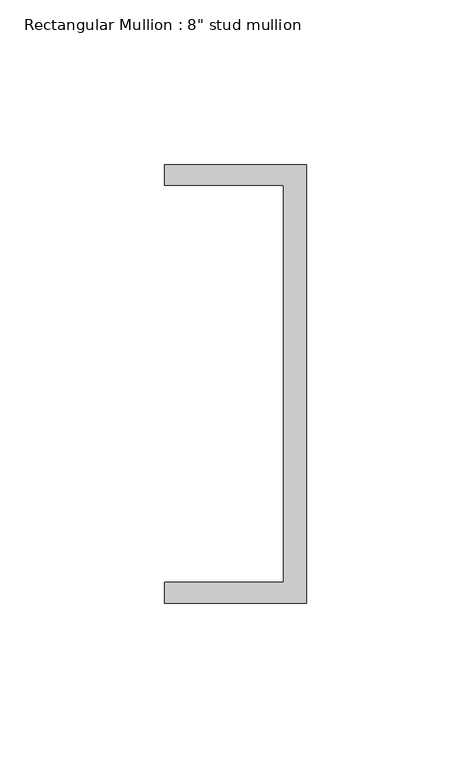
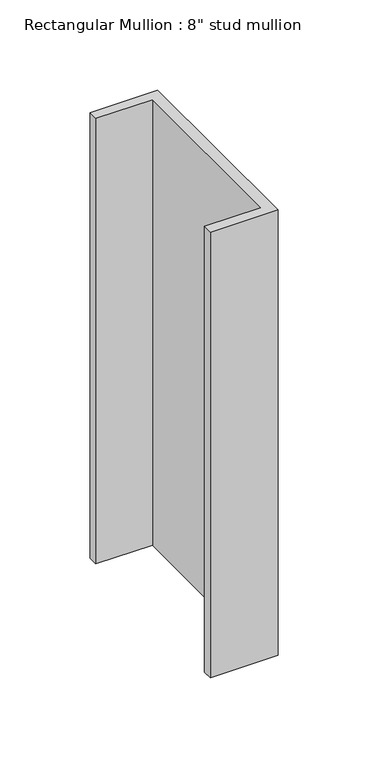
"""IFC4 building model written with IfcOpenShell, lengths in millimetres: member geometry."""

from ifc_helpers import new_model, si_unit, frame, origin, place, context, project, spatial, polyline, outline, extrude, source, transform, mapped, element, save


def member_0960573b(model_context):
    return source(origin(), model_context, "Body", "SweptSolid", [
        extrude(outline(polyline([(0.0, 135.2608739), (0.0, 1.9108739), (-43.2224547, 1.9108739), (-43.2224547, 8.2608739), (-7.0438577, 8.2608739), (-7.0438577, 128.9108739), (-43.2224547, 128.9108739), (-43.2224547, 135.2608739), (0.0, 135.2608739)])), frame((0.0, 0.0, -301.454113), z_axis=(0.0, 0.0, 1.0), x_axis=(1.0, 0.0, 0.0)), (0.0, 0.0, 1.0), 301.454113),
    ])


if __name__ == "__main__":
    model = new_model("IFC4")
    model_context = context("Model", 3, world=origin())
    ifc_project = project(units=[si_unit("LENGTHUNIT", "METRE", prefix="MILLI")], contexts=[model_context])
    site = spatial("IfcSite", under=ifc_project)
    building = spatial("IfcBuilding", under=site)
    placement = place(None, origin())
    member_shape = member_0960573b(model_context)
    element("IfcMember", 1, ObjectType="Rectangular Mullion : 8\" stud mullion", at=placement, inside=building, context=model_context, shape_type="MappedRepresentation", body=[
        mapped(member_shape, transform((0.0, 0.0, 0.0), x_axis=(1.0, 0.0, 0.0), y_axis=(0.0, 1.0, 0.0), z_axis=(0.0, 0.0, 1.0))),
    ])
    save(model, "model.ifc")
